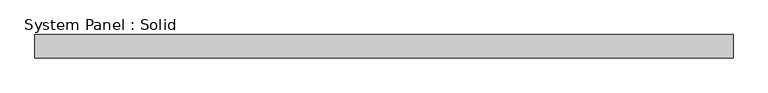
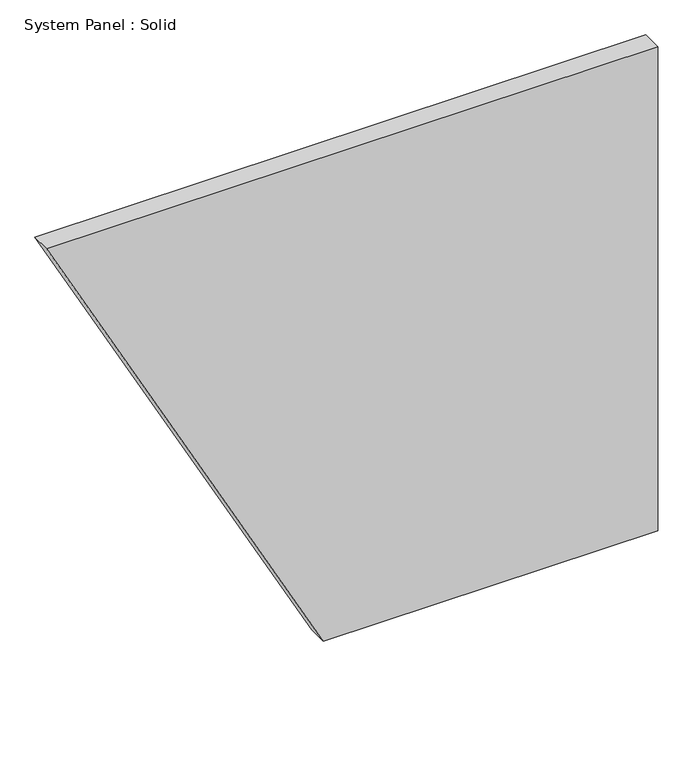
"""IFC4 building model written with IfcOpenShell, lengths in millimetres: plate geometry, System Panel : Solid."""

from ifc_helpers import new_model, si_unit, frame, origin, place, context, project, spatial, polyline, outline, extrude, source, transform, mapped, element, save


def system_panel_solid_9eacdf21(model_context):
    return source(origin(), model_context, "Body", "SweptSolid", [
        extrude(outline(polyline([(0.0, -84.5074429), (0.0, 895.4294899), (1500.0, 895.4294899), (1500.0, -895.4294899), (0.0, -84.5074429)])), frame((0.0, -10.5, 0.0), z_axis=(0.0, 1.0, 0.0), x_axis=(0.0, 0.0, 1.0)), (0.0, 0.0, 1.0), 60.0),
    ])


if __name__ == "__main__":
    model = new_model("IFC4")
    model_context = context("Model", 3, world=origin())
    ifc_project = project(units=[si_unit("LENGTHUNIT", "METRE", prefix="MILLI")], contexts=[model_context])
    site = spatial("IfcSite", under=ifc_project)
    building = spatial("IfcBuilding", under=site)
    placement = place(None, origin())
    system_panel_solid_shape = system_panel_solid_9eacdf21(model_context)
    element("IfcPlate", 1, ObjectType="System Panel : Solid", at=placement, inside=building, context=model_context, shape_type="MappedRepresentation", body=[
        mapped(system_panel_solid_shape, transform((0.0, 0.0, 0.0), x_axis=(1.0, 0.0, 0.0), y_axis=(0.0, 1.0, 0.0), z_axis=(0.0, 0.0, 1.0))),
    ])
    save(model, "model.ifc")
